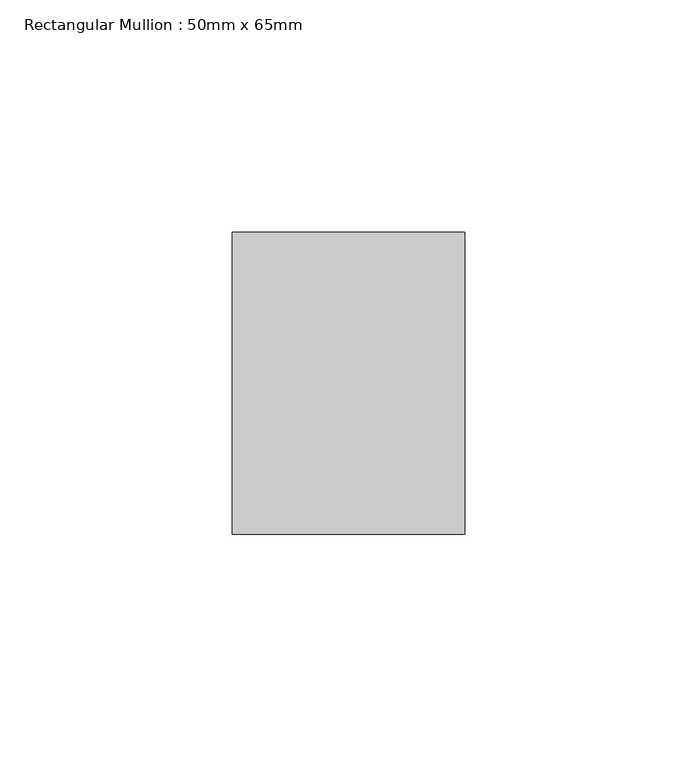
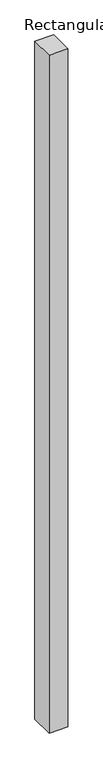
"""IFC4 building model written with IfcOpenShell, lengths in millimetres: member geometry, Rectangular Mullion : 50mm x 65mm."""

from ifc_helpers import new_model, si_unit, frame, origin, place, context, project, spatial, polyline, outline, extrude, source, transform, mapped, element, save


def rectangular_mullion_50mm_x_65mm_854d86d0(model_context):
    return source(origin(), model_context, "Body", "SweptSolid", [
        extrude(outline(polyline([(25.0, 32.5), (25.0, -32.5), (-25.0, -32.5), (-25.0, 32.5), (25.0, 32.5)])), frame((0.0, 0.0, -1897.7011028), z_axis=(0.0, 0.0, 1.0), x_axis=(1.0, 0.0, 0.0)), (0.0, 0.0, 1.0), 1897.7011028),
    ])


if __name__ == "__main__":
    model = new_model("IFC4")
    model_context = context("Model", 3, world=origin())
    ifc_project = project(units=[si_unit("LENGTHUNIT", "METRE", prefix="MILLI")], contexts=[model_context])
    site = spatial("IfcSite", under=ifc_project)
    building = spatial("IfcBuilding", under=site)
    placement = place(None, origin())
    rectangular_mullion_50mm_x_65mm_shape = rectangular_mullion_50mm_x_65mm_854d86d0(model_context)
    element("IfcMember", 1, ObjectType="Rectangular Mullion : 50mm x 65mm", at=placement, inside=building, context=model_context, shape_type="MappedRepresentation", body=[
        mapped(rectangular_mullion_50mm_x_65mm_shape, transform((0.0, 0.0, 0.0), x_axis=(1.0, 0.0, 0.0), y_axis=(0.0, 1.0, 0.0), z_axis=(0.0, 0.0, 1.0))),
    ])
    save(model, "model.ifc")
